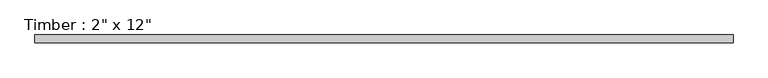
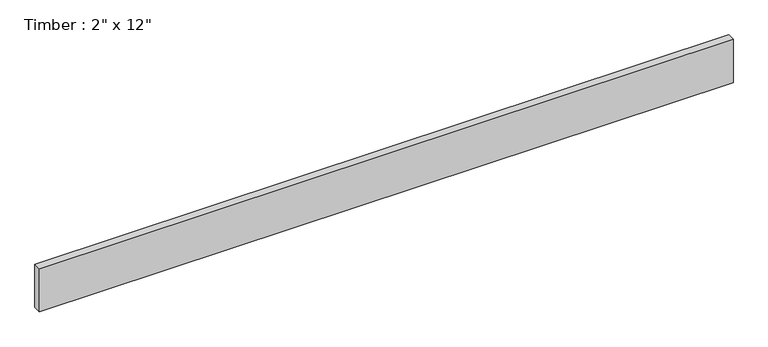
"""IFC4 building model written with IfcOpenShell, lengths in millimetres: beam geometry."""

from ifc_helpers import new_model, si_unit, frame, origin, place, context, project, spatial, polyline, outline, extrude, source, transform, mapped, element, save


def beam_85bce9bf(model_context):
    return source(origin(), model_context, "Body", "SweptSolid", [
        extrude(outline(polyline([(2310.2964729, 25.4), (2310.2964729, -25.4), (-2310.2964729, -25.4), (-2310.2964729, 25.4), (2310.2964729, 25.4)])), frame((0.0, 0.0, -152.4), z_axis=(0.0, 0.0, 1.0), x_axis=(1.0, 0.0, 0.0)), (0.0, 0.0, 1.0), 304.8),
    ])


if __name__ == "__main__":
    model = new_model("IFC4")
    model_context = context("Model", 3, world=origin())
    ifc_project = project(units=[si_unit("LENGTHUNIT", "METRE", prefix="MILLI")], contexts=[model_context])
    site = spatial("IfcSite", under=ifc_project)
    building = spatial("IfcBuilding", under=site)
    placement = place(None, origin())
    beam_shape = beam_85bce9bf(model_context)
    element("IfcBeam", 1, ObjectType="Timber : 2\" x 12\"", at=placement, inside=building, context=model_context, shape_type="MappedRepresentation", body=[
        mapped(beam_shape, transform((0.0, 0.0, 0.0), x_axis=(1.0, 0.0, 0.0), y_axis=(0.0, 1.0, 0.0), z_axis=(0.0, 0.0, 1.0))),
    ])
    save(model, "model.ifc")
